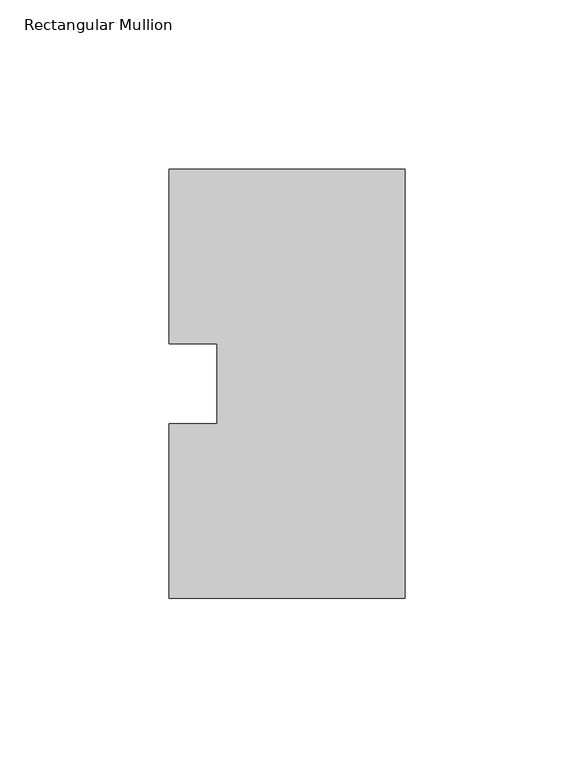
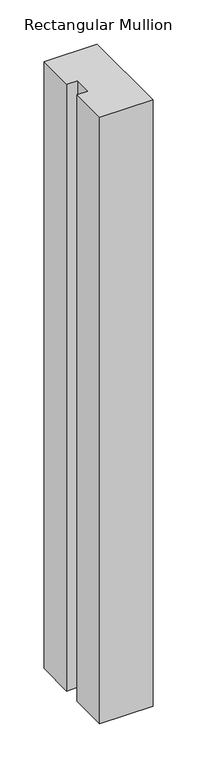
"""IFC4 building model written with IfcOpenShell, lengths in millimetres: member geometry, Rectangular Mullion."""

from ifc_helpers import new_model, si_unit, frame, origin, place, context, project, spatial, polyline, outline, extrude, source, transform, mapped, element, save


def rectangular_mullion_5ea96d17(model_context):
    return source(origin(), model_context, "Body", "SweptSolid", [
        extrude(outline(polyline([(0.0, 127.00635), (0.0, 0.00635), (-69.85, 0.00635), (-69.85, 51.60645), (-55.5625, 51.60645), (-55.5625, 75.40625), (-69.85, 75.40625), (-69.85, 127.00635), (0.0, 127.00635)])), frame((0.0, 0.0, -841.375), z_axis=(0.0, 0.0, 1.0), x_axis=(1.0, 0.0, 0.0)), (0.0, 0.0, 1.0), 841.375),
    ])


if __name__ == "__main__":
    model = new_model("IFC4")
    model_context = context("Model", 3, world=origin())
    ifc_project = project(units=[si_unit("LENGTHUNIT", "METRE", prefix="MILLI")], contexts=[model_context])
    site = spatial("IfcSite", under=ifc_project)
    building = spatial("IfcBuilding", under=site)
    placement = place(None, origin())
    rectangular_mullion_shape = rectangular_mullion_5ea96d17(model_context)
    element("IfcMember", 1, ObjectType="Rectangular Mullion", at=placement, inside=building, context=model_context, shape_type="MappedRepresentation", body=[
        mapped(rectangular_mullion_shape, transform((0.0, 0.0, 0.0), x_axis=(1.0, 0.0, 0.0), y_axis=(0.0, 1.0, 0.0), z_axis=(0.0, 0.0, 1.0))),
    ])
    save(model, "model.ifc")
